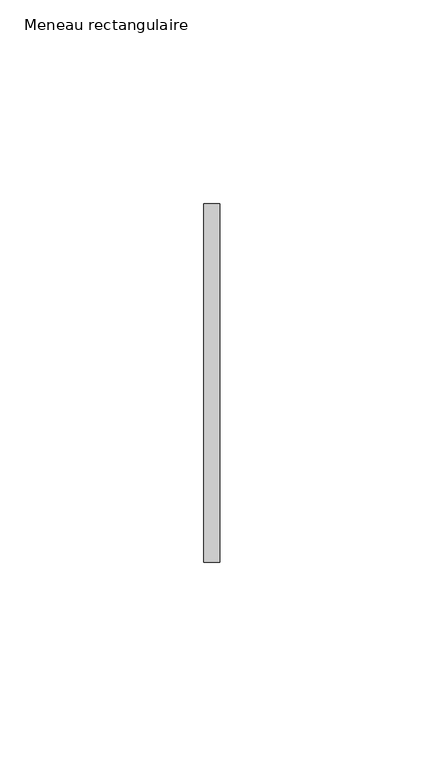
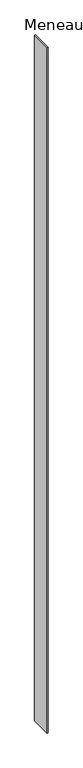
"""IFC4 building model written with IfcOpenShell, lengths in millimetres: member geometry, Meneau rectangulaire."""

from ifc_helpers import new_model, si_unit, frame, origin, place, context, project, spatial, polyline, outline, extrude, source, transform, mapped, element, save


def meneau_rectangulaire_068e66b8(model_context):
    return source(origin(), model_context, "Body", "SweptSolid", [
        extrude(outline(polyline([(-2.0, 44.0), (2.0, 44.0), (2.0, -44.0), (-2.0, -44.0), (-2.0, 44.0)])), frame((0.0, 0.0, -2933.0), z_axis=(0.0, 0.0, 1.0), x_axis=(1.0, 0.0, 0.0)), (0.0, 0.0, 1.0), 2933.0),
    ])


if __name__ == "__main__":
    model = new_model("IFC4")
    model_context = context("Model", 3, world=origin())
    ifc_project = project(units=[si_unit("LENGTHUNIT", "METRE", prefix="MILLI")], contexts=[model_context])
    site = spatial("IfcSite", under=ifc_project)
    building = spatial("IfcBuilding", under=site)
    placement = place(None, origin())
    meneau_rectangulaire_shape = meneau_rectangulaire_068e66b8(model_context)
    element("IfcMember", 1, ObjectType="Meneau rectangulaire", at=placement, inside=building, context=model_context, shape_type="MappedRepresentation", body=[
        mapped(meneau_rectangulaire_shape, transform((0.0, 0.0, 0.0), x_axis=(1.0, 0.0, 0.0), y_axis=(0.0, 1.0, 0.0), z_axis=(0.0, 0.0, 1.0))),
    ])
    save(model, "model.ifc")
